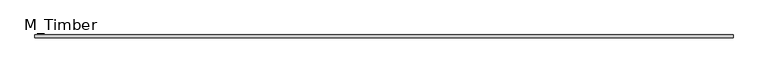
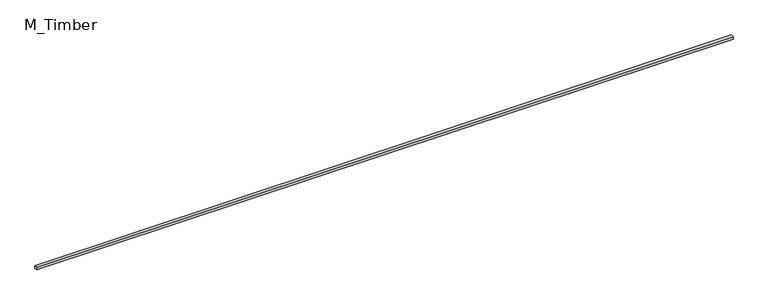
"""IFC4 building model written with IfcOpenShell, lengths in millimetres: beam geometry, M_Timber."""

from ifc_helpers import new_model, si_unit, frame, origin, place, context, project, spatial, polyline, outline, extrude, source, transform, mapped, element, save


def m_timber_5429af92(model_context):
    return source(origin(), model_context, "Body", "SweptSolid", [
        extrude(outline(polyline([(4976.9124645, 20.0), (4976.9124645, -20.0), (-4976.9124645, -20.0), (-4976.9124645, 20.0), (4976.9124645, 20.0)])), frame((0.0, 0.0, -20.0), z_axis=(0.0, 0.0, 1.0), x_axis=(1.0, 0.0, 0.0)), (0.0, 0.0, 1.0), 40.0),
    ])


if __name__ == "__main__":
    model = new_model("IFC4")
    model_context = context("Model", 3, world=origin())
    ifc_project = project(units=[si_unit("LENGTHUNIT", "METRE", prefix="MILLI")], contexts=[model_context])
    site = spatial("IfcSite", under=ifc_project)
    building = spatial("IfcBuilding", under=site)
    placement = place(None, origin())
    m_timber_shape = m_timber_5429af92(model_context)
    element("IfcBeam", 1, ObjectType="M_Timber", at=placement, inside=building, context=model_context, shape_type="MappedRepresentation", body=[
        mapped(m_timber_shape, transform((0.0, 0.0, 0.0), x_axis=(1.0, 0.0, 0.0), y_axis=(0.0, 1.0, 0.0), z_axis=(0.0, 0.0, 1.0))),
    ])
    save(model, "model.ifc")
